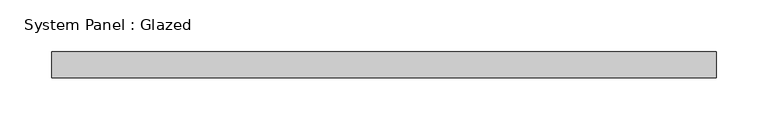
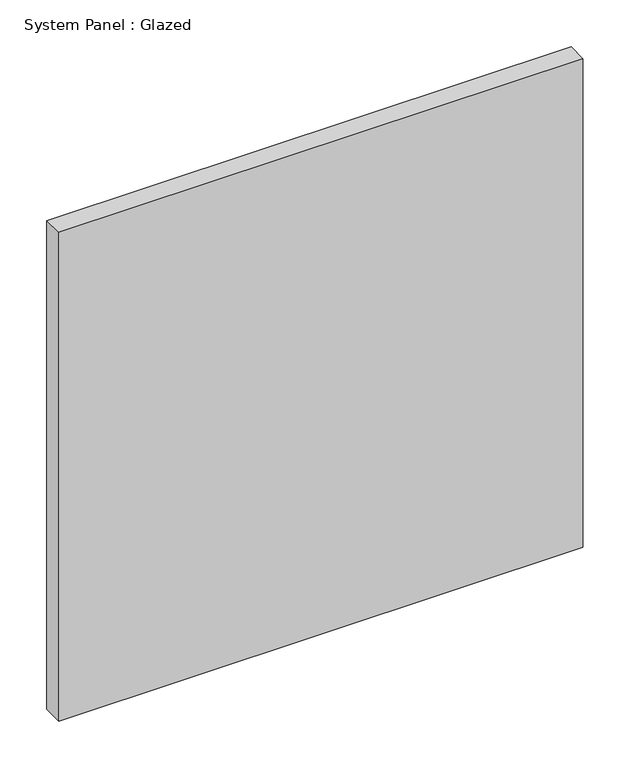
"""IFC4 building model written with IfcOpenShell, lengths in millimetres: plate geometry, System Panel : Glazed."""

from ifc_helpers import new_model, si_unit, origin, origin_with_axes, place, context, project, spatial, polyline, outline, extrude, source, transform, mapped, element, save


def system_panel_glazed_f87f11e7(model_context):
    return source(origin(), model_context, "Body", "SweptSolid", [
        extrude(outline(polyline([(322.0482308, 19.05), (-322.0482308, 19.05), (-322.0482308, 44.45), (322.0482308, 44.45), (322.0482308, 19.05)])), origin_with_axes(), (0.0, 0.0, 1.0), 635.0),
    ])


if __name__ == "__main__":
    model = new_model("IFC4")
    model_context = context("Model", 3, world=origin())
    ifc_project = project(units=[si_unit("LENGTHUNIT", "METRE", prefix="MILLI")], contexts=[model_context])
    site = spatial("IfcSite", under=ifc_project)
    building = spatial("IfcBuilding", under=site)
    placement = place(None, origin())
    system_panel_glazed_shape = system_panel_glazed_f87f11e7(model_context)
    element("IfcPlate", 1, ObjectType="System Panel : Glazed", at=placement, inside=building, context=model_context, shape_type="MappedRepresentation", body=[
        mapped(system_panel_glazed_shape, transform((0.0, 0.0, 0.0), x_axis=(1.0, 0.0, 0.0), y_axis=(0.0, 1.0, 0.0), z_axis=(0.0, 0.0, 1.0))),
    ])
    save(model, "model.ifc")
